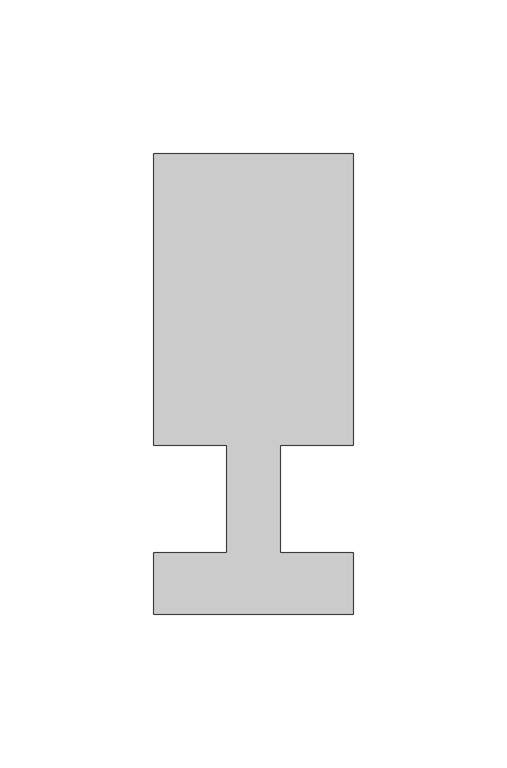
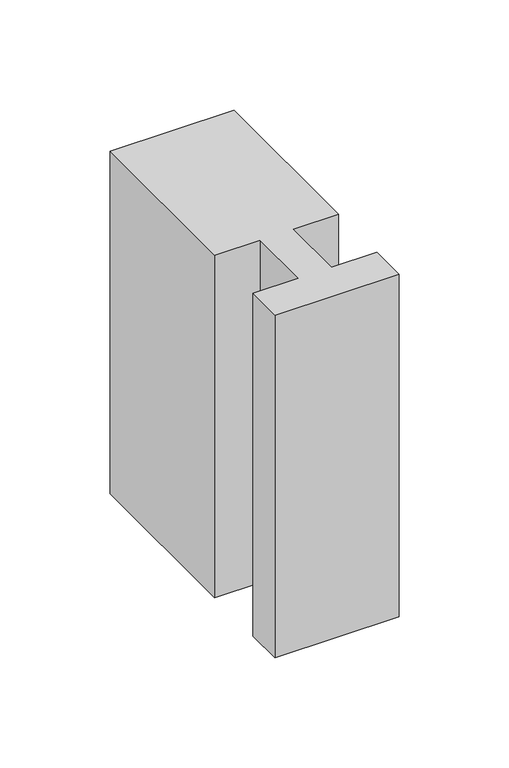
"""IFC4 building model written with IfcOpenShell, lengths in millimetres: member geometry."""

from ifc_helpers import new_model, si_unit, frame, origin, place, context, project, spatial, polyline, outline, extrude, source, transform, mapped, element, save


def member_02a18425(model_context):
    return source(origin(), model_context, "Body", "SweptSolid", [
        extrude(outline(polyline([(0.0, -37.0), (-65.0, -37.0), (-65.0, -17.0), (-41.1875, -17.0), (-41.1875, 18.0), (-65.0, 18.0), (-65.0, 113.0), (0.0, 113.0), (0.0, 18.0), (-23.8125, 18.0), (-23.8125, -17.0), (0.0, -17.0), (0.0, -37.0)])), frame((0.0, 0.0, -190.0), z_axis=(0.0, 0.0, 1.0), x_axis=(1.0, 0.0, 0.0)), (0.0, 0.0, 1.0), 190.0),
    ])


if __name__ == "__main__":
    model = new_model("IFC4")
    model_context = context("Model", 3, world=origin())
    ifc_project = project(units=[si_unit("LENGTHUNIT", "METRE", prefix="MILLI")], contexts=[model_context])
    site = spatial("IfcSite", under=ifc_project)
    building = spatial("IfcBuilding", under=site)
    placement = place(None, origin())
    member_shape = member_02a18425(model_context)
    element("IfcMember", 1, at=placement, inside=building, context=model_context, shape_type="MappedRepresentation", body=[
        mapped(member_shape, transform((0.0, 0.0, 0.0), x_axis=(1.0, 0.0, 0.0), y_axis=(0.0, 1.0, 0.0), z_axis=(0.0, 0.0, 1.0))),
    ])
    save(model, "model.ifc")
